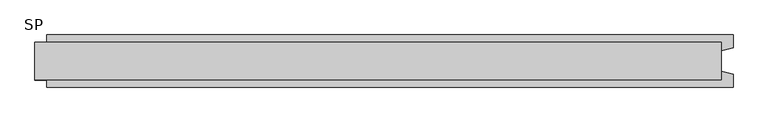
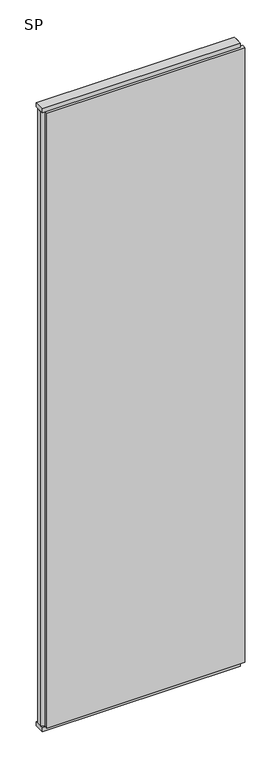
"""IFC4 building model written with IfcOpenShell, lengths in millimetres: plate geometry, SP."""

from ifc_helpers import new_model, si_unit, frame, origin, origin_with_axes, place, context, project, spatial, polyline, outline, extrude, source, transform, mapped, element, save


def sp_9a15d8a8(model_context):
    return source(origin(), model_context, "Body", "SweptSolid", [
        extrude(outline(polyline([(590.0, 32.0), (590.0, -32.0), (-590.0, -32.0), (-590.0, 32.0), (590.0, 32.0)])), origin_with_axes(), (0.0, 0.0, 1.0), 25.0),
        extrude(outline(polyline([(590.0, 32.0), (590.0, -32.0), (-590.0, -32.0), (-590.0, 32.0), (590.0, 32.0)])), frame((0.0, 0.0, 3902.0), z_axis=(0.0, 0.0, 1.0), x_axis=(1.0, 0.0, 0.0)), (0.0, 0.0, 1.0), 25.0),
        extrude(outline(polyline([(610.0, 45.0), (610.0, 22.9993165), (590.0, 17.6401049), (590.0, -17.6401049), (610.0, -22.9993165), (610.0, -45.0), (-570.0, -45.0), (-570.0, -22.9993165), (-590.0, -17.6401049), (-590.0, 17.6401049), (-570.0, 22.9993165), (-570.0, 45.0), (610.0, 45.0)])), frame((0.0, 0.0, 25.0), z_axis=(0.0, 0.0, 1.0), x_axis=(1.0, 0.0, 0.0)), (0.0, 0.0, 1.0), 3877.0),
    ])


if __name__ == "__main__":
    model = new_model("IFC4")
    model_context = context("Model", 3, world=origin())
    ifc_project = project(units=[si_unit("LENGTHUNIT", "METRE", prefix="MILLI")], contexts=[model_context])
    site = spatial("IfcSite", under=ifc_project)
    building = spatial("IfcBuilding", under=site)
    placement = place(None, origin())
    sp_shape = sp_9a15d8a8(model_context)
    element("IfcPlate", 1, ObjectType="SP", at=placement, inside=building, context=model_context, shape_type="MappedRepresentation", body=[
        mapped(sp_shape, transform((0.0, 0.0, 0.0), x_axis=(1.0, 0.0, 0.0), y_axis=(0.0, 1.0, 0.0), z_axis=(0.0, 0.0, 1.0))),
    ])
    save(model, "model.ifc")
